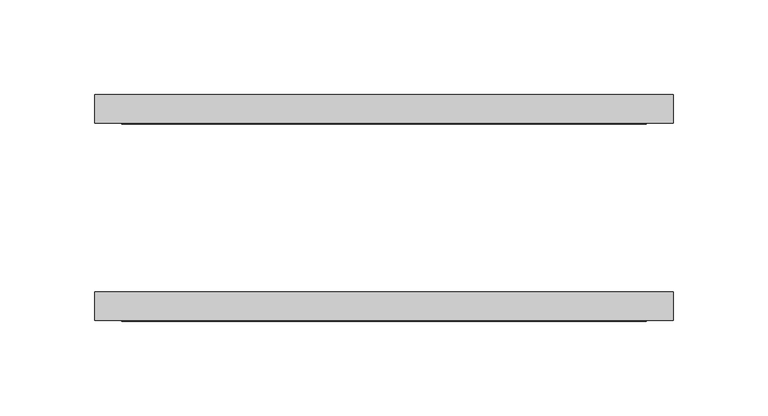
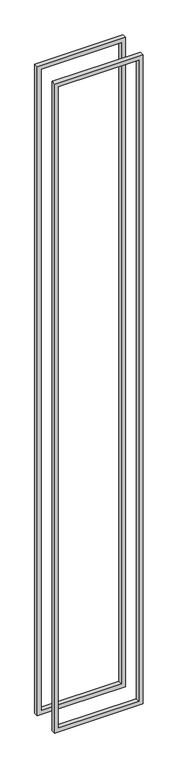
"""IFC4 building model written with IfcOpenShell, lengths in millimetres: proxy geometry."""

from ifc_helpers import new_model, si_unit, frame, origin, place, context, project, spatial, polyline, outline, extrude, source, transform, mapped, element, save


def generic_models_72d6eb96(model_context):
    return source(origin(), model_context, "Body", "SweptSolid", [
        extrude(outline(polyline([(2392.3625, -649.2875), (26.9875, -649.2875), (26.9875, -344.4875), (2392.3625, -344.4875), (2392.3625, -649.2875)]), holes=[polyline([(2378.075, -358.775), (41.275, -358.775), (41.275, -635.0), (2378.075, -635.0), (2378.075, -358.775)])]), frame((0.0, -59.53125, 0.0), z_axis=(0.0, 1.0, 0.0), x_axis=(0.0, 0.0, 1.0)), (0.0, 0.0, 1.0), 15.08125),
        extrude(outline(polyline([(26.9875, -344.4875), (2392.3625, -344.4875), (2392.3625, -649.2875), (26.9875, -649.2875), (26.9875, -344.4875)]), holes=[polyline([(41.275, -635.0), (2378.075, -635.0), (2378.075, -358.775), (41.275, -358.775), (41.275, -635.0)])]), frame((0.0, 44.45, 0.0), z_axis=(0.0, 1.0, 0.0), x_axis=(0.0, 0.0, 1.0)), (0.0, 0.0, 1.0), 15.08125),
    ])


if __name__ == "__main__":
    model = new_model("IFC4")
    model_context = context("Model", 3, world=origin())
    ifc_project = project(units=[si_unit("LENGTHUNIT", "METRE", prefix="MILLI")], contexts=[model_context])
    site = spatial("IfcSite", under=ifc_project)
    building = spatial("IfcBuilding", under=site)
    placement = place(None, origin())
    generic_models_shape = generic_models_72d6eb96(model_context)
    element("IfcBuildingElementProxy", 1, Name="Generic Models", at=placement, inside=building, context=model_context, shape_type="MappedRepresentation", body=[
        mapped(generic_models_shape, transform((0.0, 0.0, 0.0), x_axis=(1.0, 0.0, 0.0), y_axis=(0.0, 1.0, 0.0), z_axis=(0.0, 0.0, 1.0))),
    ])
    save(model, "model.ifc")
